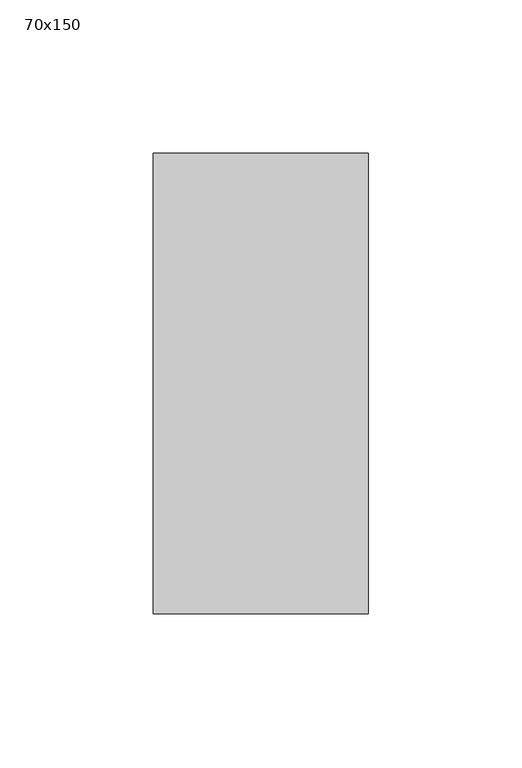
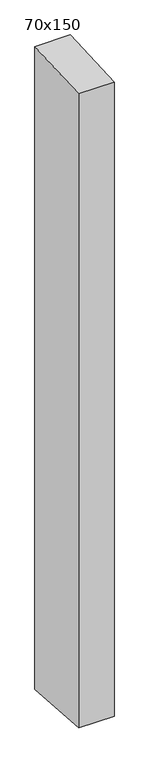
"""IFC4 building model written with IfcOpenShell, lengths in millimetres: member geometry, 70x150."""

from ifc_helpers import new_model, si_unit, frame, origin, place, context, project, spatial, polyline, outline, extrude, source, transform, mapped, element, save


def member_70x150_fc65bdc9(model_context):
    return source(origin(), model_context, "Body", "SweptSolid", [
        extrude(outline(polyline([(-75.0, -4.0221102), (75.0, 4.0221102), (75.0, -1340.9131056), (-75.0, -1330.8590309), (-75.0, -4.0221102)])), frame((-70.0, 0.0, 0.0), z_axis=(1.0, 0.0, 0.0), x_axis=(0.0, 1.0, 0.0)), (0.0, 0.0, 1.0), 70.0),
    ])


if __name__ == "__main__":
    model = new_model("IFC4")
    model_context = context("Model", 3, world=origin())
    ifc_project = project(units=[si_unit("LENGTHUNIT", "METRE", prefix="MILLI")], contexts=[model_context])
    site = spatial("IfcSite", under=ifc_project)
    building = spatial("IfcBuilding", under=site)
    placement = place(None, origin())
    member_70x150_shape = member_70x150_fc65bdc9(model_context)
    element("IfcMember", 1, ObjectType="70x150", at=placement, inside=building, context=model_context, shape_type="MappedRepresentation", body=[
        mapped(member_70x150_shape, transform((0.0, 0.0, 0.0), x_axis=(1.0, 0.0, 0.0), y_axis=(0.0, 1.0, 0.0), z_axis=(0.0, 0.0, 1.0))),
    ])
    save(model, "model.ifc")
